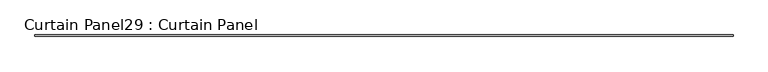
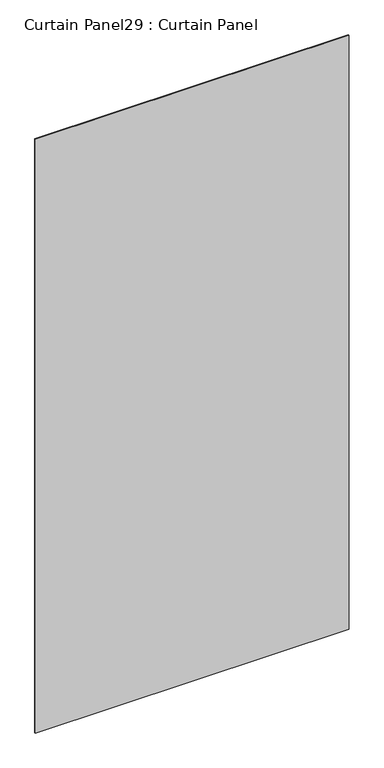
"""IFC4 building model written with IfcOpenShell, lengths in millimetres: plate geometry, Curtain Panel29 : Curtain Panel."""

from ifc_helpers import new_model, si_unit, frame, origin, place, context, project, spatial, polyline, outline, extrude, source, transform, mapped, element, save


def curtain_panel29_curtain_panel_061fd67c(model_context):
    return source(origin(), model_context, "Body", "SweptSolid", [
        extrude(outline(polyline([(148662.3761004, 2961.7253205), (145662.0011004, 2961.7253205), (145662.0011004, 2968.0753205), (148662.3761004, 2968.0753205), (148662.3761004, 2961.7253205)])), frame((0.0, 0.0, 1189.0483791), z_axis=(0.0, 0.0, 1.0), x_axis=(1.0, 0.0, 0.0)), (0.0, 0.0, 1.0), 6000.75),
    ])


if __name__ == "__main__":
    model = new_model("IFC4")
    model_context = context("Model", 3, world=origin())
    ifc_project = project(units=[si_unit("LENGTHUNIT", "METRE", prefix="MILLI")], contexts=[model_context])
    site = spatial("IfcSite", under=ifc_project)
    building = spatial("IfcBuilding", under=site)
    placement = place(None, origin())
    curtain_panel29_curtain_panel_shape = curtain_panel29_curtain_panel_061fd67c(model_context)
    element("IfcPlate", 1, ObjectType="Curtain Panel29 : Curtain Panel", at=placement, inside=building, context=model_context, shape_type="MappedRepresentation", body=[
        mapped(curtain_panel29_curtain_panel_shape, transform((0.0, 0.0, 0.0), x_axis=(1.0, 0.0, 0.0), y_axis=(0.0, 1.0, 0.0), z_axis=(0.0, 0.0, 1.0))),
    ])
    save(model, "model.ifc")
